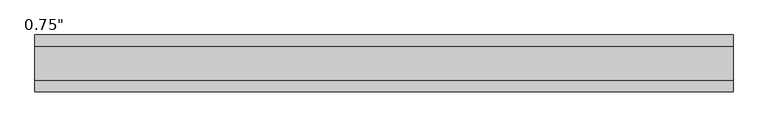
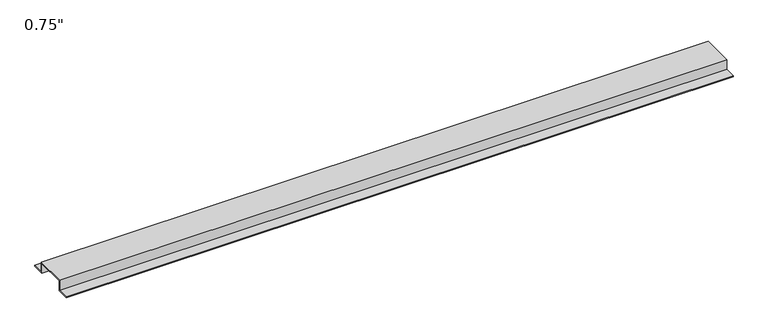
"""IFC4 building model written with IfcOpenShell, lengths in millimetres: proxy geometry."""

from ifc_helpers import new_model, si_unit, frame, origin, place, context, project, spatial, polyline, outline, extrude, source, transform, mapped, element, save


def proxy_799b8b2d(model_context):
    return source(origin(), model_context, "Body", "SweptSolid", [
        extrude(outline(polyline([(46.0559645, -17.4625), (25.4, -17.4625), (25.4, 0.0), (-25.4, 0.0), (-25.4, -17.4625), (-46.0559645, -17.4625), (-46.0559645, -15.8492), (-27.0129, -15.8492), (-27.0129, 1.6129), (27.0129, 1.6129), (27.0129, -15.8492), (46.0559645, -15.8492), (46.0559645, -17.4625)])), frame((0.0, 0.0, 0.0), z_axis=(1.0, 0.0, 0.0), x_axis=(0.0, 1.0, 0.0)), (0.0, 0.0, 1.0), 1127.0880709),
    ])


if __name__ == "__main__":
    model = new_model("IFC4")
    model_context = context("Model", 3, world=origin())
    ifc_project = project(units=[si_unit("LENGTHUNIT", "METRE", prefix="MILLI")], contexts=[model_context])
    site = spatial("IfcSite", under=ifc_project)
    building = spatial("IfcBuilding", under=site)
    placement = place(None, origin())
    proxy_shape = proxy_799b8b2d(model_context)
    element("IfcBuildingElementProxy", 1, Name="0.75\"", ObjectType="0.75\"", at=placement, inside=building, context=model_context, shape_type="MappedRepresentation", body=[
        mapped(proxy_shape, transform((0.0, 0.0, 0.0), x_axis=(1.0, 0.0, 0.0), y_axis=(0.0, 1.0, 0.0), z_axis=(0.0, 0.0, 1.0))),
    ])
    save(model, "model.ifc")
